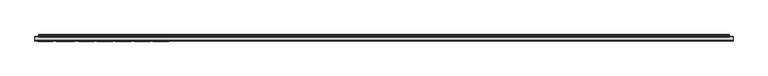
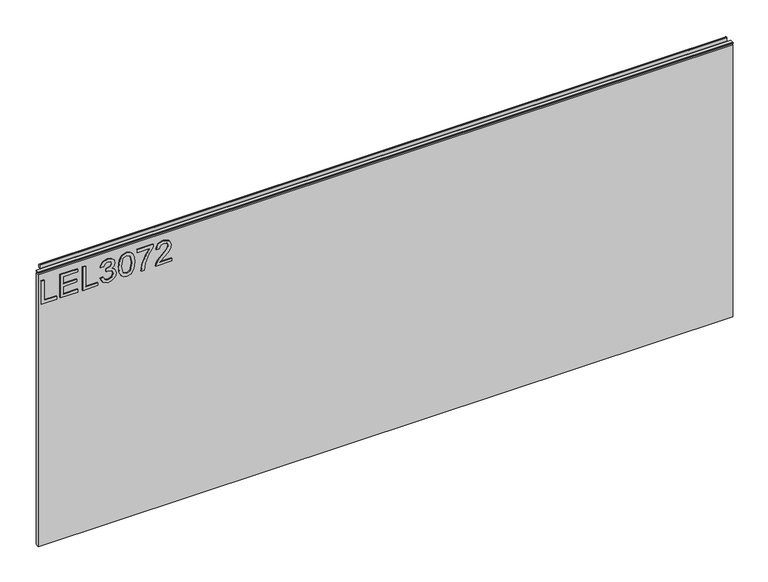
"""IFC4 building model written with IfcOpenShell, lengths in millimetres: furniture geometry."""

from ifc_helpers import new_model, si_unit, frame, origin, place, context, project, spatial, polyline, outline, extrude, source, transform, mapped, element, save


def furniture_7e7b12f4(model_context):
    return source(origin(), model_context, "Body", "SweptSolid", [
        extrude(outline(polyline([(773.5951, -291.2207845), (773.5951, -251.3521864), (781.5688196, -251.3521864), (781.5688196, -283.2470649), (837.3848569, -283.2470649), (837.3848569, -291.2207845), (773.5951, -291.2207845)])), frame((0.0, -5.5130009, 0.0), z_axis=(0.0, 1.0, 0.0), x_axis=(0.0, 0.0, 1.0)), (0.0, 0.0, 1.0), 2.38125),
        extrude(outline(polyline([(773.5951, -242.3817519), (773.5951, -195.5361491), (781.5688196, -195.5361491), (781.5688196, -234.4080323), (802.4998336, -234.4080323), (802.4998336, -198.526294), (810.4735532, -198.526294), (810.4735532, -234.4080323), (829.4111373, -234.4080323), (829.4111373, -196.5328641), (837.3848569, -196.5328641), (837.3848569, -242.3817519), (773.5951, -242.3817519)])), frame((0.0, -5.5130009, 0.0), z_axis=(0.0, 1.0, 0.0), x_axis=(0.0, 0.0, 1.0)), (0.0, 0.0, 1.0), 2.38125),
        extrude(outline(polyline([(773.5951, -183.5755697), (773.5951, -143.7069716), (781.5688196, -143.7069716), (781.5688196, -175.6018501), (837.3848569, -175.6018501), (837.3848569, -183.5755697), (773.5951, -183.5755697)])), frame((0.0, -5.5130009, 0.0), z_axis=(0.0, 1.0, 0.0), x_axis=(0.0, 0.0, 1.0)), (0.0, 0.0, 1.0), 2.38125),
        extrude(outline(polyline([(790.5392542, -137.7266819), (777.5975335, -131.3881977), (772.598385, -117.4030411), (774.0623101, -108.8803495), (778.4540854, -101.969533), (784.9483063, -97.3908737), (792.7195681, -95.8646539), (803.0916331, -98.9170934), (808.542418, -107.6072019), (813.8218925, -101.06626), (821.1726653, -98.8547987), (829.2164664, -101.1830626), (835.1967562, -107.9108885), (837.3848569, -117.5276304), (832.9463607, -130.2045987), (820.4407028, -136.7299669), (819.4439878, -128.7562473), (826.9193499, -124.8472559), (829.4111373, -117.2473043), (826.9427105, -109.7407949), (820.7054552, -106.8285184), (813.6661558, -110.8465255), (811.4702682, -121.1718695), (803.4965486, -122.0595687), (804.3686742, -116.4686208), (801.10599, -107.4047442), (792.8597312, -103.8383735), (784.107328, -107.4358915), (780.5721047, -117.122715), (783.1417604, -125.3534002), (791.5359691, -129.7529623), (790.5392542, -137.7266819)])), frame((0.0, -5.5130009, 0.0), z_axis=(0.0, 1.0, 0.0), x_axis=(0.0, 0.0, 1.0)), (0.0, 0.0, 1.0), 2.38125),
        extrude(outline(polyline([(804.9760473, -88.8876492), (789.4607775, -87.2991348), (778.6721168, -82.5335914), (774.116818, -76.2418283), (772.598385, -67.9566352), (776.0946742, -56.2841687), (786.7003443, -49.3460982), (804.9760473, -47.0256212), (819.9657058, -48.4739726), (829.4033505, -52.2116537), (835.3291324, -58.6435799), (837.3848569, -67.9566352), (833.9119283, -79.5823807), (823.3296188, -86.5438117), (804.9760473, -88.8876492)]), holes=[polyline([(804.991621, -80.9139296), (825.1439514, -77.0516592), (829.4111373, -68.0500772), (824.5677256, -58.6124325), (804.991621, -54.9993408), (785.2052718, -58.7370219), (780.5721047, -67.9566352), (785.1896982, -77.1762485), (804.991621, -80.9139296)])]), frame((0.0, -5.5130009, 0.0), z_axis=(0.0, 1.0, 0.0), x_axis=(0.0, 0.0, 1.0)), (0.0, 0.0, 1.0), 2.38125),
        extrude(outline(polyline([(828.4144224, -40.0486166), (828.4144224, -6.1603082), (811.9141178, -18.2143296), (791.5826902, -26.912225), (773.5951, -30.081467), (773.5951, -22.1077474), (790.928596, -19.1487499), (812.7862434, -10.0615128), (829.9406421, 1.8134114), (836.388142, 1.8134114), (836.388142, -40.0486166), (828.4144224, -40.0486166)])), frame((0.0, -5.5130009, 0.0), z_axis=(0.0, 1.0, 0.0), x_axis=(0.0, 0.0, 1.0)), (0.0, 0.0, 1.0), 2.38125),
        extrude(outline(polyline([(781.5688196, 49.6557291), (781.5688196, 18.3370765), (785.6257609, 21.9345945), (793.295794, 31.1074868), (804.2207243, 42.5307746), (812.0387072, 47.2418101), (819.5997245, 48.6590142), (832.2766928, 43.4029002), (837.3848569, 29.1296306), (832.790624, 14.903082), (819.4439878, 8.7904161), (818.4472729, 16.7641357), (826.4988608, 20.1202618), (829.4111373, 28.9583202), (826.4287793, 37.4381841), (819.1169407, 40.6852946), (810.0842115, 37.2435133), (796.79987, 23.476388), (787.5568962, 13.4936648), (779.0926059, 8.6502531), (773.5951, 7.7937012), (773.5951, 49.6557291), (781.5688196, 49.6557291)])), frame((0.0, -5.5130009, 0.0), z_axis=(0.0, 1.0, 0.0), x_axis=(0.0, 0.0, 1.0)), (0.0, 0.0, 1.0), 2.38125),
        extrude(outline(polyline([(5.5562561, 863.5873), (6.3500061, 863.5873), (6.3500061, 873.46155), (7.1437561, 874.2553), (8.6677569, 874.2553), (10.0084363, 873.8379926), (10.875413, 872.7334816), (10.9623604, 871.3320591), (10.2390011, 868.3736459), (10.4046103, 867.1706307), (11.6746103, 864.9709103), (10.7786383, 864.4536244), (7.1437561, 864.4536244), (7.1437561, 863.5873), (6.3500061, 863.3542239), (6.3500061, 856.1451), (5.5562561, 856.1451), (5.5562561, 863.5873)])), frame((-288.671, 0.0, 0.0), z_axis=(1.0, 0.0, 0.0), x_axis=(0.0, 1.0, 0.0)), (0.0, 0.0, 1.0), 1796.542),
        extrude(outline(polyline([(5.5562561, 863.5873), (5.5562561, 860.4122996), (-3.975094, 860.4122996), (-5.3492339, 861.2056657), (-5.3492339, 862.7939395), (-3.9751037, 863.5873), (5.5562561, 863.5873)])), frame((-298.196, 0.0, 0.0), z_axis=(1.0, 0.0, 0.0), x_axis=(0.0, 1.0, 0.0)), (0.0, 0.0, 1.0), 1815.592),
        extrude(outline(polyline([(1517.396, 6.3500061), (1517.396, -3.1749939), (-298.196, -3.1749939), (-298.196, 6.3500061), (1517.396, 6.3500061)])), frame((0.0, 0.0, 104.68356), z_axis=(0.0, 0.0, 1.0), x_axis=(1.0, 0.0, 0.0)), (0.0, 0.0, 1.0), 751.46154),
    ])


if __name__ == "__main__":
    model = new_model("IFC4")
    model_context = context("Model", 3, world=origin())
    ifc_project = project(units=[si_unit("LENGTHUNIT", "METRE", prefix="MILLI")], contexts=[model_context])
    site = spatial("IfcSite", under=ifc_project)
    building = spatial("IfcBuilding", under=site)
    placement = place(None, origin())
    furniture_shape = furniture_7e7b12f4(model_context)
    element("IfcFurniture", 1, at=placement, inside=building, context=model_context, shape_type="MappedRepresentation", body=[
        mapped(furniture_shape, transform((0.0, 0.0, 0.0), x_axis=(1.0, 0.0, 0.0), y_axis=(0.0, 1.0, 0.0), z_axis=(0.0, 0.0, 1.0))),
    ])
    save(model, "model.ifc")
